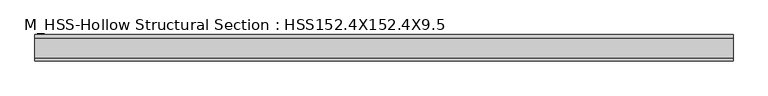
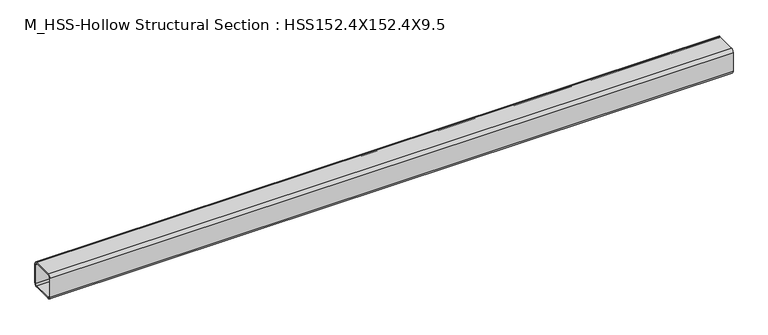
"""IFC4 building model written with IfcOpenShell, lengths in millimetres: member geometry, M_HSS-Hollow Structural Section : HSS152.4X152.4X9.5."""

from ifc_helpers import new_model, si_unit, point, frame, frame_2d, origin, place, context, project, spatial, polyline, circle_curve, trimmed, segment, composite_curve, outline, extrude, source, transform, mapped, element, save


def m_hss_hollow_structural_section_hss152_4x152_4x9_5_130bc887(model_context):
    return source(origin(), model_context, "Body", "SweptSolid", [
        extrude(outline(composite_curve([segment(polyline([(76.0, 58.2), (76.0, -58.2)]), True, "CONTINUOUS"), segment(trimmed(circle_curve(frame_2d((58.2, -58.2)), 17.8), [point((76.0, -58.2))], [point((58.2, -76.0))], False, "CARTESIAN"), True, "CONTINUOUS"), segment(polyline([(58.2, -76.0), (-58.2, -76.0)]), True, "CONTINUOUS"), segment(trimmed(circle_curve(frame_2d((-58.2, -58.2)), 17.8), [point((-58.2, -76.0))], [point((-76.0, -58.2))], False, "CARTESIAN"), True, "CONTINUOUS"), segment(polyline([(-76.0, -58.2), (-76.0, 58.2)]), True, "CONTINUOUS"), segment(trimmed(circle_curve(frame_2d((-58.2, 58.2)), 17.8), [point((-76.0, 58.2))], [point((-58.2, 76.0))], False, "CARTESIAN"), True, "CONTINUOUS"), segment(polyline([(-58.2, 76.0), (58.2, 76.0)]), True, "CONTINUOUS"), segment(trimmed(circle_curve(frame_2d((58.2, 58.2)), 17.8), [point((58.2, 76.0))], [point((76.0, 58.2))], False, "CARTESIAN"), True, "CONTINUOUS")], self_intersect=False), holes=[composite_curve([segment(trimmed(circle_curve(frame_2d((-58.2, 58.2)), 8.9), [point((-58.2, 67.1))], [point((-67.1, 58.2))], True, "CARTESIAN"), True, "CONTINUOUS"), segment(polyline([(-67.1, 58.2), (-67.1, -58.2)]), True, "CONTINUOUS"), segment(trimmed(circle_curve(frame_2d((-58.2, -58.2)), 8.9), [point((-67.1, -58.2))], [point((-58.2, -67.1))], True, "CARTESIAN"), True, "CONTINUOUS"), segment(polyline([(-58.2, -67.1), (58.2, -67.1)]), True, "CONTINUOUS"), segment(trimmed(circle_curve(frame_2d((58.2, -58.2)), 8.9), [point((58.2, -67.1))], [point((67.1, -58.2))], True, "CARTESIAN"), True, "CONTINUOUS"), segment(polyline([(67.1, -58.2), (67.1, 58.2)]), True, "CONTINUOUS"), segment(trimmed(circle_curve(frame_2d((58.2, 58.2)), 8.9), [point((67.1, 58.2))], [point((58.2, 67.1))], True, "CARTESIAN"), True, "CONTINUOUS"), segment(polyline([(58.2, 67.1), (-58.2, 67.1)]), True, "CONTINUOUS")], self_intersect=False)]), frame((-2089.0336364, 0.0, 0.0), z_axis=(1.0, 0.0, 0.0), x_axis=(0.0, 1.0, 0.0)), (0.0, 0.0, 1.0), 4002.2477466),
    ])


if __name__ == "__main__":
    model = new_model("IFC4")
    model_context = context("Model", 3, world=origin())
    ifc_project = project(units=[si_unit("LENGTHUNIT", "METRE", prefix="MILLI")], contexts=[model_context])
    site = spatial("IfcSite", under=ifc_project)
    building = spatial("IfcBuilding", under=site)
    placement = place(None, origin())
    m_hss_hollow_structural_section_hss152_4x152_4x9_5_shape = m_hss_hollow_structural_section_hss152_4x152_4x9_5_130bc887(model_context)
    element("IfcMember", 1, ObjectType="M_HSS-Hollow Structural Section : HSS152.4X152.4X9.5", at=placement, inside=building, context=model_context, shape_type="MappedRepresentation", body=[
        mapped(m_hss_hollow_structural_section_hss152_4x152_4x9_5_shape, transform((0.0, 0.0, 0.0), x_axis=(1.0, 0.0, 0.0), y_axis=(0.0, 1.0, 0.0), z_axis=(0.0, 0.0, 1.0))),
    ])
    save(model, "model.ifc")
